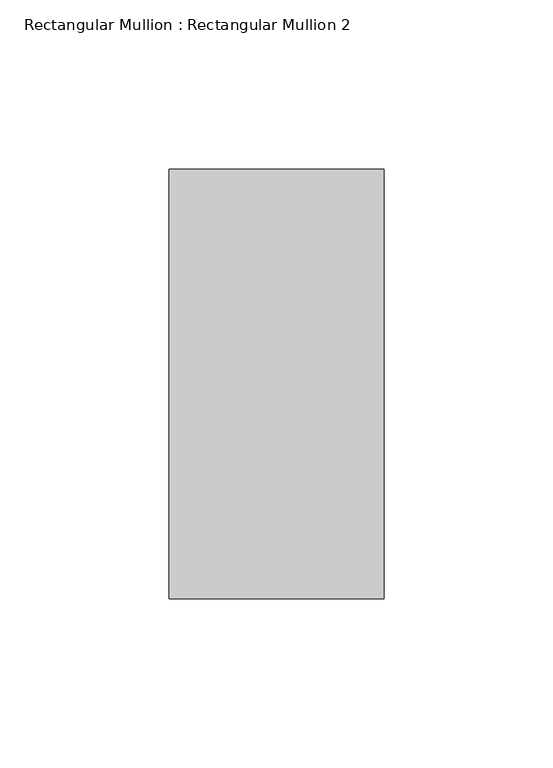
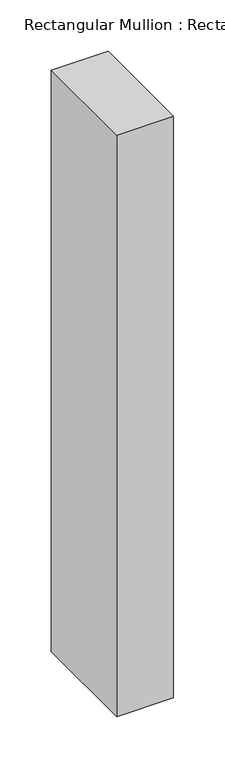
"""IFC4 building model written with IfcOpenShell, lengths in millimetres: member geometry, Rectangular Mullion : Rectangular Mullion 2."""

from ifc_helpers import new_model, si_unit, frame, origin, place, context, project, spatial, polyline, outline, extrude, source, transform, mapped, element, save


def rectangular_mullion_rectangular_mullion_2_ecb2b5e9(model_context):
    return source(origin(), model_context, "Body", "SweptSolid", [
        extrude(outline(polyline([(31.8, 188.5), (31.8, 61.5), (-31.8, 61.5), (-31.8, 188.5), (31.8, 188.5)])), frame((0.0, 0.0, -690.6), z_axis=(0.0, 0.0, 1.0), x_axis=(1.0, 0.0, 0.0)), (0.0, 0.0, 1.0), 690.6),
    ])


if __name__ == "__main__":
    model = new_model("IFC4")
    model_context = context("Model", 3, world=origin())
    ifc_project = project(units=[si_unit("LENGTHUNIT", "METRE", prefix="MILLI")], contexts=[model_context])
    site = spatial("IfcSite", under=ifc_project)
    building = spatial("IfcBuilding", under=site)
    placement = place(None, origin())
    rectangular_mullion_rectangular_mullion_2_shape = rectangular_mullion_rectangular_mullion_2_ecb2b5e9(model_context)
    element("IfcMember", 1, ObjectType="Rectangular Mullion : Rectangular Mullion 2", at=placement, inside=building, context=model_context, shape_type="MappedRepresentation", body=[
        mapped(rectangular_mullion_rectangular_mullion_2_shape, transform((0.0, 0.0, 0.0), x_axis=(1.0, 0.0, 0.0), y_axis=(0.0, 1.0, 0.0), z_axis=(0.0, 0.0, 1.0))),
    ])
    save(model, "model.ifc")
